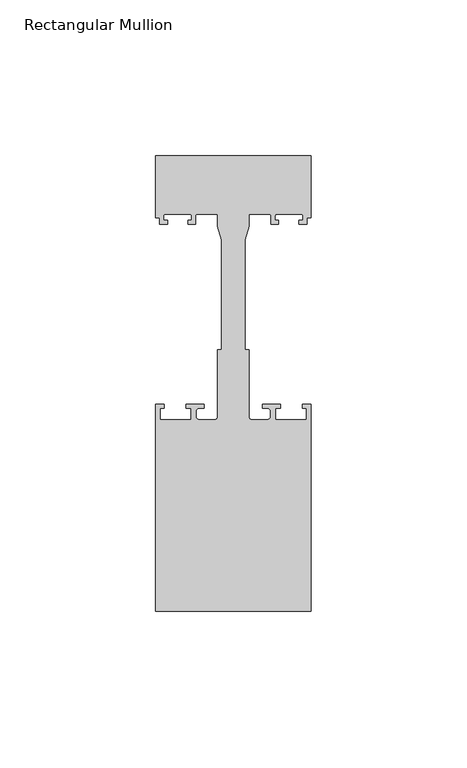
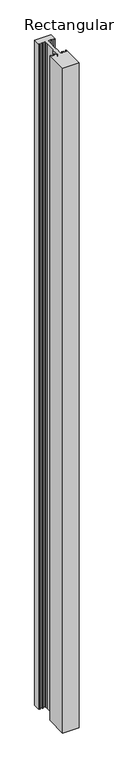
"""IFC4 building model written with IfcOpenShell, lengths in millimetres: member geometry, Rectangular Mullion."""

from ifc_helpers import new_model, si_unit, point, frame, frame_2d, origin, place, context, project, spatial, polyline, circle_curve, trimmed, segment, composite_curve, outline, extrude, source, transform, mapped, element, save


def rectangular_mullion_04fd5c4d(model_context):
    return source(origin(), model_context, "Body", "SweptSolid", [
        extrude(outline(composite_curve([segment(polyline([(-25.0, -54.0), (-25.0, 12.5), (-22.2, 12.5), (-22.2, 11.2), (-23.5, 11.2), (-23.5, 7.5), (-13.5, 7.5), (-13.5, 11.2), (-15.2, 11.2), (-15.2, 12.5), (-9.4, 12.5), (-9.4, 11.2), (-11.0, 11.2)]), True, "CONTINUOUS"), segment(trimmed(circle_curve(frame_2d((-11.0, 10.2)), 1.0), [point((-11.0, 11.2))], [point((-12.0, 10.2))], True, "CARTESIAN"), True, "CONTINUOUS"), segment(polyline([(-12.0, 10.2), (-12.0, 8.5)]), True, "CONTINUOUS"), segment(trimmed(circle_curve(frame_2d((-11.0, 8.5)), 1.0), [point((-12.0, 8.5))], [point((-11.0, 7.5))], True, "CARTESIAN"), True, "CONTINUOUS"), segment(polyline([(-11.0, 7.5), (-6.0, 7.5)]), True, "CONTINUOUS"), segment(trimmed(circle_curve(frame_2d((-6.0, 8.5)), 1.0), [point((-6.0, 7.5))], [point((-5.0, 8.5))], True, "CARTESIAN"), True, "CONTINUOUS"), segment(polyline([(-5.0, 8.5), (-5.0, 30.0), (-3.7, 30.0), (-3.7, 65.3046824), (-5.0, 69.6597214), (-5.0, 73.5), (-11.65, 73.5)]), True, "CONTINUOUS"), segment(trimmed(circle_curve(frame_2d((-11.65, 73.0)), 0.5), [point((-11.65, 73.5))], [point((-12.15, 73.0))], True, "CARTESIAN"), True, "CONTINUOUS"), segment(polyline([(-12.15, 73.0), (-12.15, 70.3), (-14.55, 70.3), (-14.55, 71.5), (-13.45, 71.5), (-13.45, 73.0)]), True, "CONTINUOUS"), segment(trimmed(circle_curve(frame_2d((-13.95, 73.0)), 0.5), [point((-13.45, 73.0))], [point((-13.95, 73.5))], True, "CARTESIAN"), True, "CONTINUOUS"), segment(polyline([(-13.95, 73.5), (-21.95, 73.5)]), True, "CONTINUOUS"), segment(trimmed(circle_curve(frame_2d((-21.95, 73.0)), 0.5), [point((-21.95, 73.5))], [point((-22.45, 73.0))], True, "CARTESIAN"), True, "CONTINUOUS"), segment(polyline([(-22.45, 73.0), (-22.45, 71.5), (-21.05, 71.5), (-21.05, 70.3), (-23.75, 70.3), (-23.75, 72.3), (-25.0, 72.3), (-25.0, 92.3), (25.0, 92.3), (25.0, 72.3), (23.75, 72.3), (23.75, 70.3), (21.05, 70.3), (21.05, 71.5), (22.45, 71.5), (22.45, 73.0)]), True, "CONTINUOUS"), segment(trimmed(circle_curve(frame_2d((21.95, 73.0)), 0.5), [point((22.45, 73.0))], [point((21.95, 73.5))], True, "CARTESIAN"), True, "CONTINUOUS"), segment(polyline([(21.95, 73.5), (13.95, 73.5)]), True, "CONTINUOUS"), segment(trimmed(circle_curve(frame_2d((13.95, 73.0)), 0.5), [point((13.95, 73.5))], [point((13.45, 73.0))], True, "CARTESIAN"), True, "CONTINUOUS"), segment(polyline([(13.45, 73.0), (13.45, 71.5), (14.55, 71.5), (14.55, 70.3), (12.15, 70.3), (12.15, 73.0)]), True, "CONTINUOUS"), segment(trimmed(circle_curve(frame_2d((11.65, 73.0)), 0.5), [point((12.15, 73.0))], [point((11.65, 73.5))], True, "CARTESIAN"), True, "CONTINUOUS"), segment(polyline([(11.65, 73.5), (5.0, 73.5), (5.0, 69.6597214), (3.7, 65.3046824), (3.7, 30.0), (5.0, 30.0), (5.0, 8.5)]), True, "CONTINUOUS"), segment(trimmed(circle_curve(frame_2d((6.0, 8.5)), 1.0), [point((5.0, 8.5))], [point((6.0, 7.5))], True, "CARTESIAN"), True, "CONTINUOUS"), segment(polyline([(6.0, 7.5), (11.0, 7.5)]), True, "CONTINUOUS"), segment(trimmed(circle_curve(frame_2d((11.0, 8.5)), 1.0), [point((11.0, 7.5))], [point((12.0, 8.5))], True, "CARTESIAN"), True, "CONTINUOUS"), segment(polyline([(12.0, 8.5), (12.0, 10.2)]), True, "CONTINUOUS"), segment(trimmed(circle_curve(frame_2d((11.0, 10.2)), 1.0), [point((12.0, 10.2))], [point((11.0, 11.2))], True, "CARTESIAN"), True, "CONTINUOUS"), segment(polyline([(11.0, 11.2), (9.4, 11.2), (9.4, 12.5), (15.2, 12.5), (15.2, 11.2), (13.5, 11.2), (13.5, 7.5), (23.5, 7.5), (23.5, 11.2), (22.2, 11.2), (22.2, 12.5), (25.0, 12.5), (25.0, -54.0), (-25.0, -54.0)]), True, "CONTINUOUS")], self_intersect=False)), frame((0.0, 0.0, -2120.3295837), z_axis=(0.0, 0.0, 1.0), x_axis=(1.0, 0.0, 0.0)), (0.0, 0.0, 1.0), 2120.3295837),
    ])


if __name__ == "__main__":
    model = new_model("IFC4")
    model_context = context("Model", 3, world=origin())
    ifc_project = project(units=[si_unit("LENGTHUNIT", "METRE", prefix="MILLI")], contexts=[model_context])
    site = spatial("IfcSite", under=ifc_project)
    building = spatial("IfcBuilding", under=site)
    placement = place(None, origin())
    rectangular_mullion_shape = rectangular_mullion_04fd5c4d(model_context)
    element("IfcMember", 1, ObjectType="Rectangular Mullion", at=placement, inside=building, context=model_context, shape_type="MappedRepresentation", body=[
        mapped(rectangular_mullion_shape, transform((0.0, 0.0, 0.0), x_axis=(1.0, 0.0, 0.0), y_axis=(0.0, 1.0, 0.0), z_axis=(0.0, 0.0, 1.0))),
    ])
    save(model, "model.ifc")
